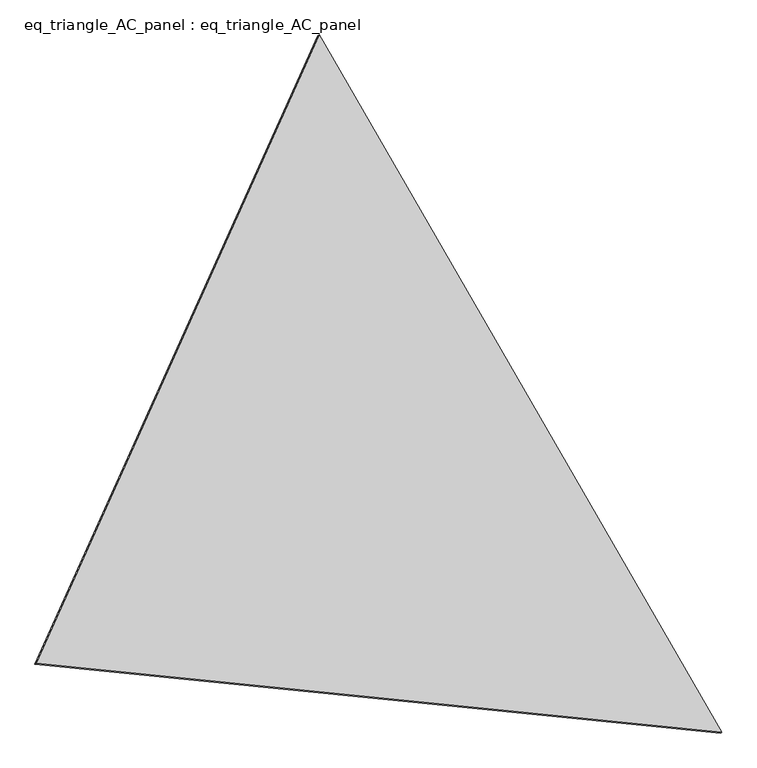
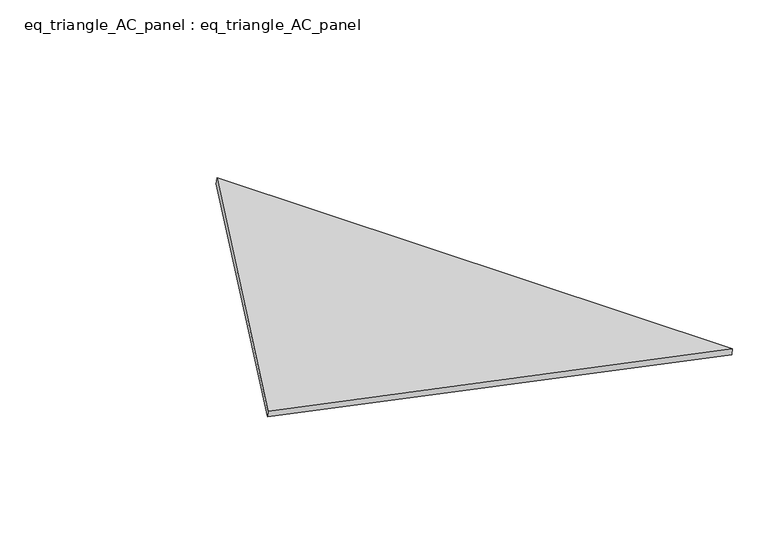
"""IFC4 building model written with IfcOpenShell, lengths in millimetres: proxy geometry, eq_triangle_AC_panel : eq_triangle_AC_panel."""

from ifc_helpers import new_model, si_unit, frame, origin, place, context, project, spatial, polyline, outline, extrude, source, transform, mapped, element, save


def eq_triangle_ac_panel_eq_triangle_ac_panel_79508df9(model_context):
    return source(origin(), model_context, "Body", "SweptSolid", [
        extrude(outline(polyline([(-2017.7410617, 947.6284382), (2017.7410616, 947.6284382), (-1e-07, -1895.2568765), (-2017.7410617, 947.6284382)])), frame((-6.3631761, 524.2531996, 46.6143561), z_axis=(0.1452632851761342, 0.08386570281545354, 0.9858321976234634), x_axis=(0.500002769741703, -0.866023804664135, -2.383668114006391e-06)), (0.0, 0.0, 1.0), 43.8306294),
    ])


if __name__ == "__main__":
    model = new_model("IFC4")
    model_context = context("Model", 3, world=origin())
    ifc_project = project(units=[si_unit("LENGTHUNIT", "METRE", prefix="MILLI")], contexts=[model_context])
    site = spatial("IfcSite", under=ifc_project)
    building = spatial("IfcBuilding", under=site)
    placement = place(None, origin())
    eq_triangle_ac_panel_eq_triangle_ac_panel_shape = eq_triangle_ac_panel_eq_triangle_ac_panel_79508df9(model_context)
    element("IfcBuildingElementProxy", 1, Name="eq_triangle_AC_panel : eq_triangle_AC_panel", ObjectType="eq_triangle_AC_panel : eq_triangle_AC_panel", at=placement, inside=building, context=model_context, shape_type="MappedRepresentation", body=[
        mapped(eq_triangle_ac_panel_eq_triangle_ac_panel_shape, transform((0.0, 0.0, 0.0), x_axis=(1.0, 0.0, 0.0), y_axis=(0.0, 1.0, 0.0), z_axis=(0.0, 0.0, 1.0))),
    ])
    save(model, "model.ifc")
